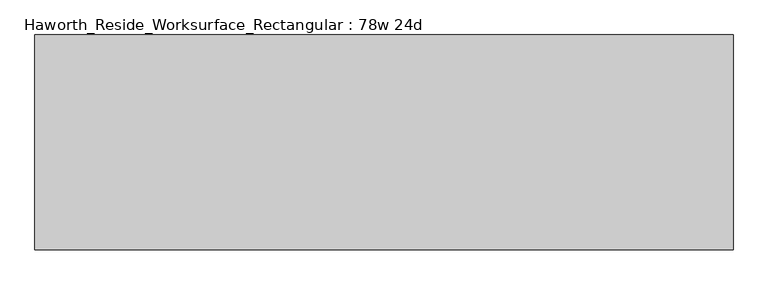
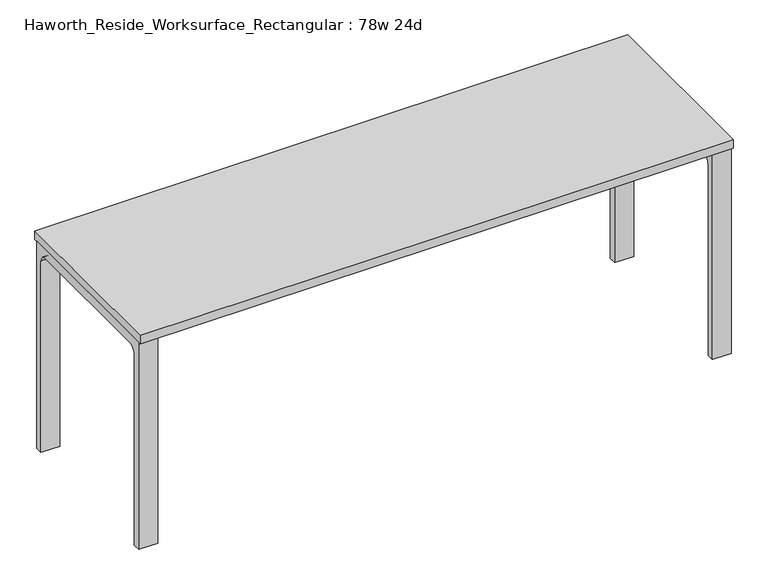
"""IFC4 building model written with IfcOpenShell, lengths in millimetres: furniture geometry, Haworth_Reside_Worksurface_Rectangular : 78w 24d."""

from ifc_helpers import new_model, si_unit, point, frame, frame_2d, origin, place, context, project, spatial, polyline, circle_curve, trimmed, segment, composite_curve, outline, extrude, source, transform, mapped, element, save


def haworth_reside_worksurface_rectangular_78w_24d_242db9f5(model_context):
    return source(origin(), model_context, "Body", "SweptSolid", [
        extrude(outline(composite_curve([segment(trimmed(circle_curve(frame_2d((244.475, 676.275)), 25.4), [point((269.875, 676.275))], [point((244.475, 701.675))], True, "CARTESIAN"), True, "CONTINUOUS"), segment(polyline([(244.475, 701.675), (-244.475, 701.675)]), True, "CONTINUOUS"), segment(trimmed(circle_curve(frame_2d((-244.475, 676.275)), 25.4), [point((-244.475, 701.675))], [point((-269.875, 676.275))], True, "CARTESIAN"), True, "CONTINUOUS"), segment(polyline([(-269.875, 676.275), (-269.875, 0.0), (-295.275, 0.0), (-295.275, 731.8375), (295.275, 731.8375), (295.275, 0.0), (269.875, 0.0), (269.875, 676.275)]), True, "CONTINUOUS")], self_intersect=False)), frame((927.1, 0.0, 0.0), z_axis=(1.0, 0.0, 0.0), x_axis=(0.0, 1.0, 0.0)), (0.0, 0.0, 1.0), 63.5),
        extrude(outline(composite_curve([segment(trimmed(circle_curve(frame_2d((244.475, 676.275)), 25.4), [point((269.875, 676.275))], [point((244.475, 701.675))], True, "CARTESIAN"), True, "CONTINUOUS"), segment(polyline([(244.475, 701.675), (-244.475, 701.675)]), True, "CONTINUOUS"), segment(trimmed(circle_curve(frame_2d((-244.475, 676.275)), 25.4), [point((-244.475, 701.675))], [point((-269.875, 676.275))], True, "CARTESIAN"), True, "CONTINUOUS"), segment(polyline([(-269.875, 676.275), (-269.875, 0.0), (-295.275, 0.0), (-295.275, 731.8375), (295.275, 731.8375), (295.275, 0.0), (269.875, 0.0), (269.875, 676.275)]), True, "CONTINUOUS")], self_intersect=False)), frame((-990.6, 0.0, 0.0), z_axis=(1.0, 0.0, 0.0), x_axis=(0.0, 1.0, 0.0)), (0.0, 0.0, 1.0), 63.5),
        extrude(outline(polyline([(990.6, 304.8), (990.6, -304.8), (-990.6, -304.8), (-990.6, 304.8), (990.6, 304.8)])), frame((0.0, 0.0, 731.8375), z_axis=(0.0, 0.0, 1.0), x_axis=(1.0, 0.0, 0.0)), (0.0, 0.0, 1.0), 30.1625),
    ])


if __name__ == "__main__":
    model = new_model("IFC4")
    model_context = context("Model", 3, world=origin())
    ifc_project = project(units=[si_unit("LENGTHUNIT", "METRE", prefix="MILLI")], contexts=[model_context])
    site = spatial("IfcSite", under=ifc_project)
    building = spatial("IfcBuilding", under=site)
    placement = place(None, origin())
    haworth_reside_worksurface_rectangular_78w_24d_shape = haworth_reside_worksurface_rectangular_78w_24d_242db9f5(model_context)
    element("IfcFurniture", 1, ObjectType="Haworth_Reside_Worksurface_Rectangular : 78w 24d", at=placement, inside=building, context=model_context, shape_type="MappedRepresentation", body=[
        mapped(haworth_reside_worksurface_rectangular_78w_24d_shape, transform((0.0, 0.0, 0.0), x_axis=(1.0, 0.0, 0.0), y_axis=(0.0, 1.0, 0.0), z_axis=(0.0, 0.0, 1.0))),
    ])
    save(model, "model.ifc")
